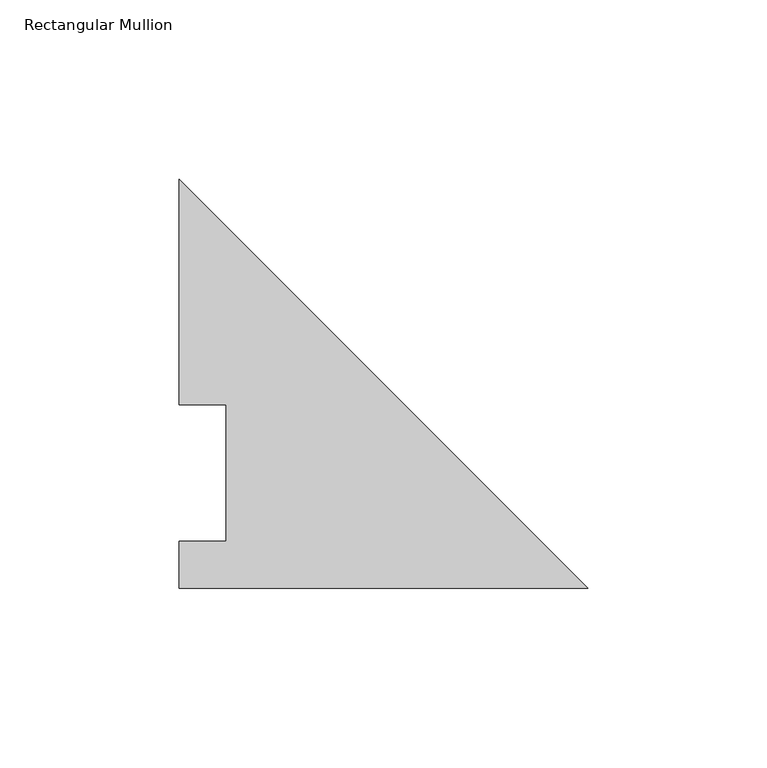
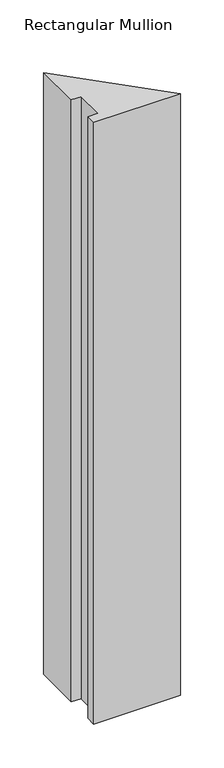
"""IFC4 building model written with IfcOpenShell, lengths in millimetres: member geometry, Rectangular Mullion."""

from ifc_helpers import new_model, si_unit, frame, origin, place, context, project, spatial, polyline, outline, extrude, source, transform, mapped, element, save


def rectangular_mullion_96924fe1(model_context):
    return source(origin(), model_context, "Body", "SweptSolid", [
        extrude(outline(polyline([(0.0, -0.0132938), (-114.2653795, -0.0132938), (-114.2653795, 13.1960871), (-101.1208836, 13.1960871), (-101.1208836, 51.2960937), (-114.3217076, 51.2960937), (-114.3217076, 114.3084138), (0.0, -0.0132938)])), frame((0.0, 0.0, -838.3737198), z_axis=(0.0, 0.0, 1.0), x_axis=(1.0, 0.0, 0.0)), (0.0, 0.0, 1.0), 838.3737198),
    ])


if __name__ == "__main__":
    model = new_model("IFC4")
    model_context = context("Model", 3, world=origin())
    ifc_project = project(units=[si_unit("LENGTHUNIT", "METRE", prefix="MILLI")], contexts=[model_context])
    site = spatial("IfcSite", under=ifc_project)
    building = spatial("IfcBuilding", under=site)
    placement = place(None, origin())
    rectangular_mullion_shape = rectangular_mullion_96924fe1(model_context)
    element("IfcMember", 1, ObjectType="Rectangular Mullion", at=placement, inside=building, context=model_context, shape_type="MappedRepresentation", body=[
        mapped(rectangular_mullion_shape, transform((0.0, 0.0, 0.0), x_axis=(1.0, 0.0, 0.0), y_axis=(0.0, 1.0, 0.0), z_axis=(0.0, 0.0, 1.0))),
    ])
    save(model, "model.ifc")
